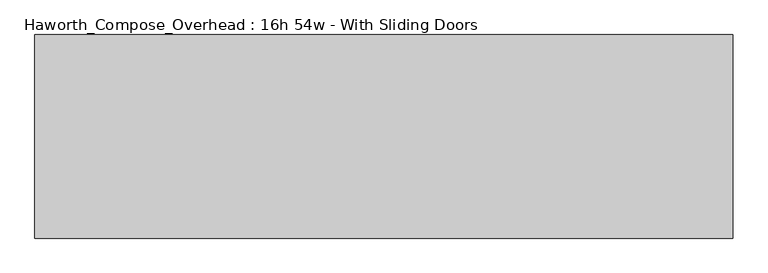
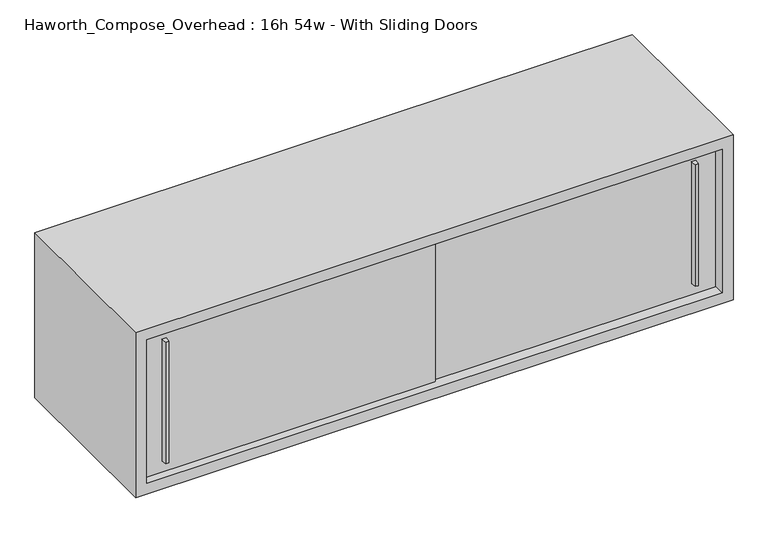
"""IFC4 building model written with IfcOpenShell, lengths in millimetres: furniture geometry, Haworth_Compose_Overhead : 16h 54w - With Sliding Doors."""

from ifc_helpers import new_model, si_unit, frame, origin, place, context, project, spatial, polyline, outline, extrude, source, transform, mapped, element, save


def haworth_compose_overhead_16h_54w_with_sliding_doors_76fbf764(model_context):
    return source(origin(), model_context, "Body", "SweptSolid", [
        extrude(outline(polyline([(777.8750004, -387.3499879), (771.5249996, -387.3499879), (769.9375011, -374.65), (779.4624989, -374.65), (777.8750004, -387.3499879)])), frame((0.0, 0.0, 1322.3875), z_axis=(0.0, 0.0, 1.0), x_axis=(1.0, 0.0, 0.0)), (0.0, 0.0, 1.0), 295.275),
        extrude(outline(polyline([(-441.3249996, -393.6999879), (-447.6750004, -393.6999879), (-449.2624989, -381.0), (-439.7375011, -381.0), (-441.3249996, -393.6999879)])), frame((0.0, 0.0, 1322.3875), z_axis=(0.0, 0.0, 1.0), x_axis=(1.0, 0.0, 0.0)), (0.0, 0.0, 1.0), 295.275),
        extrude(outline(polyline([(-495.3, -374.65), (177.8, -374.65), (177.8, -381.0), (-495.3, -381.0), (-495.3, -374.65)])), frame((0.0, 0.0, 1295.4), z_axis=(0.0, 0.0, 1.0), x_axis=(1.0, 0.0, 0.0)), (0.0, 0.0, 1.0), 349.25),
        extrude(outline(polyline([(152.4, -368.3), (825.5, -368.3), (825.5, -374.65), (152.4, -374.65), (152.4, -368.3)])), frame((0.0, 0.0, 1295.4), z_axis=(0.0, 0.0, 1.0), x_axis=(1.0, 0.0, 0.0)), (0.0, 0.0, 1.0), 349.25),
        extrude(outline(polyline([(825.5, -6.35), (-495.3, -6.35), (-495.3, 0.0), (825.5, 0.0), (825.5, -6.35)])), frame((0.0, 0.0, 1295.4), z_axis=(0.0, 0.0, 1.0), x_axis=(1.0, 0.0, 0.0)), (0.0, 0.0, 1.0), 349.25),
        extrude(outline(polyline([(1270.0, 850.9), (1670.05, 850.9), (1670.05, -520.7), (1270.0, -520.7), (1270.0, 850.9)]), holes=[polyline([(1644.65, 825.5), (1295.4, 825.5), (1295.4, -495.3), (1644.65, -495.3), (1644.65, 825.5)])]), frame((0.0, -400.05, 0.0), z_axis=(0.0, 1.0, 0.0), x_axis=(0.0, 0.0, 1.0)), (0.0, 0.0, 1.0), 400.05),
    ])


if __name__ == "__main__":
    model = new_model("IFC4")
    model_context = context("Model", 3, world=origin())
    ifc_project = project(units=[si_unit("LENGTHUNIT", "METRE", prefix="MILLI")], contexts=[model_context])
    site = spatial("IfcSite", under=ifc_project)
    building = spatial("IfcBuilding", under=site)
    placement = place(None, origin())
    haworth_compose_overhead_16h_54w_with_sliding_doors_shape = haworth_compose_overhead_16h_54w_with_sliding_doors_76fbf764(model_context)
    element("IfcFurniture", 1, ObjectType="Haworth_Compose_Overhead : 16h 54w - With Sliding Doors", at=placement, inside=building, context=model_context, shape_type="MappedRepresentation", body=[
        mapped(haworth_compose_overhead_16h_54w_with_sliding_doors_shape, transform((0.0, 0.0, 0.0), x_axis=(1.0, 0.0, 0.0), y_axis=(0.0, 1.0, 0.0), z_axis=(0.0, 0.0, 1.0))),
    ])
    save(model, "model.ifc")
